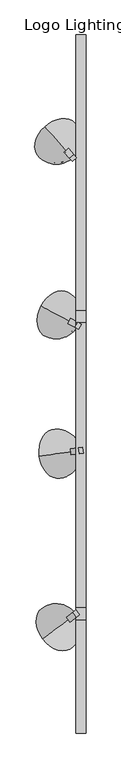
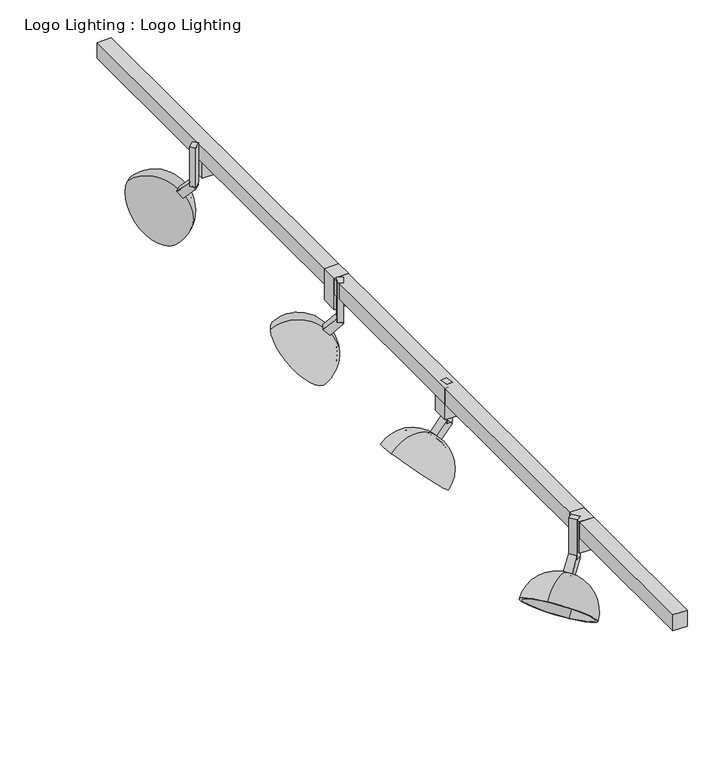
"""IFC4 building model written with IfcOpenShell, lengths in millimetres: light fixture geometry, Logo Lighting : Logo Lighting."""

from ifc_helpers import new_model, si_unit, point, frame, origin, place, context, project, spatial, polyline, circle_curve, ellipse_curve, trimmed, outline, extrude, source, transform, mapped, element, save
from ifc_brep_helpers import plane_surface, revolved_surface, advanced_brep


def logo_lighting_logo_lighting_3ff6cc8f(model_context):
    return source(origin(), model_context, "Body", "SolidModel", [
        extrude(outline(polyline([(21.1742761, -368.065558), (30.0730454, -366.8585345), (31.7800344, -379.4432947), (22.8812651, -380.6503181), (21.1742761, -368.065558)])), frame((0.0, 0.0, 2374.9), z_axis=(0.0, 0.0, 1.0), x_axis=(1.0, 0.0, 0.0)), (0.0, 0.0, 1.0), 63.5),
        extrude(outline(polyline([(12.7, -1e-07), (12.7, -12.7), (0.0, -12.7), (0.0, 0.0), (12.7, -1e-07)])), frame((3.3767376, -370.4796049, 2362.9598052), z_axis=(0.7006904927370758, 0.09504121941494724, 0.7071067811865432), x_axis=(0.7006904927370672, 0.09504121941494605, -0.7071067811865519)), (0.0, 0.0, 1.0), 25.4),
        advanced_brep(
        [(10.9948777, -375.8544327, 2356.3160112), (6.5454931, -376.4579445, 2360.8061393), (-64.9270306, -386.1524328, 2360.8061393), (10.9948777, -375.8544327, 2284.1890069), (8.6290006, -376.1753388, 2353.9284695), (4.179616, -376.7788506, 2358.4185976), (8.6290006, -376.1753388, 2286.5765486), (-62.5611535, -385.8315267, 2358.4185976)],
        [
            (0, 1, circle_curve(frame((8.7701854, -376.1561886, 2358.5610752), z_axis=(-0.7006904927370761, -0.09504121941494727, -0.707106781186543), x_axis=(-0.7006904927370676, -0.09504121941494285, 0.707106781186552)), 3.175)),
            (1, 2, circle_curve(frame((-29.1907687, -381.3051886, 2324.7426371), z_axis=(0.13440858148109247, -0.9909259978546537, 0.0), x_axis=(0.7006904927370673, 0.0950412194149429, -0.7071067811865523)), 51.0014938)),
            (2, 3, circle_curve(frame((-26.9660764, -381.0034328, 2322.4975731), z_axis=(0.7006904927370761, 0.09504121941494727, 0.707106781186543), x_axis=(-0.7006904927370676, -0.09504121941494285, 0.707106781186552)), 54.1764938)),
            (3, 0, circle_curve(frame((-24.7413841, -380.7016769, 2320.252509), z_axis=(0.13440858148108958, -0.9909259978546541, 0.0), x_axis=(-0.7006904927370685, -0.0950412194149389, 0.7071067811865517)), 51.0014938)),
            (4, 5, circle_curve(frame((6.4043083, -376.4770947, 2356.1735335), z_axis=(-0.7006904927370761, -0.09504121941494727, -0.707106781186543), x_axis=(-0.7006904927370676, -0.09504121941494285, 0.707106781186552)), 3.175)),
            (5, 1),
            (0, 4),
            (6, 7, circle_curve(frame((-26.9660764, -381.0034328, 2322.4975731), z_axis=(-0.7006904927370761, -0.09504121941494727, -0.707106781186543), x_axis=(-0.7006904927370676, -0.09504121941494285, 0.707106781186552)), 50.8)),
            (7, 5, circle_curve(frame((-29.1907687, -381.3051886, 2324.7426371), z_axis=(-0.13440858148109247, 0.9909259978546537, 0.0), x_axis=(0.7006904927370673, 0.0950412194149429, -0.7071067811865523)), 47.625)),
            (4, 6, circle_curve(frame((-24.7413841, -380.7016769, 2320.252509), z_axis=(-0.13440858148108553, 0.9909259978546546, 0.0), x_axis=(-0.7006904927370693, -0.09504121941493318, 0.7071067811865517)), 47.625)),
            (2, 7),
            (6, 3),
            (1, 0, circle_curve(frame((8.7701854, -376.1561886, 2358.5610752), z_axis=(-0.7006904927370761, -0.09504121941494727, -0.707106781186543), x_axis=(0.7006904927370672, 0.09504121941494595, -0.707106781186552)), 3.175)),
            (3, 2, circle_curve(frame((-26.9660764, -381.0034328, 2322.4975731), z_axis=(0.7006904927370761, 0.09504121941494727, 0.707106781186543), x_axis=(0.7006904927370672, 0.09504121941494595, -0.707106781186552)), 54.1764938)),
            (5, 4, circle_curve(frame((6.4043083, -376.4770947, 2356.1735335), z_axis=(-0.7006904927370761, -0.09504121941494727, -0.707106781186543), x_axis=(0.7006904927370672, 0.09504121941494595, -0.707106781186552)), 3.175)),
            (7, 6, circle_curve(frame((-26.9660764, -381.0034328, 2322.4975731), z_axis=(-0.7006904927370761, -0.09504121941494727, -0.707106781186543), x_axis=(0.7006904927370672, 0.09504121941494595, -0.707106781186552)), 50.8)),
        ],
        [
            revolved_surface(trimmed(ellipse_curve(frame((-29.1907687, -381.3051886, 2324.7426371), z_axis=(-0.13440858148109247, 0.9909259978546537, 0.0), x_axis=(0.7006904927370673, 0.0950412194149429, -0.7071067811865523)), 51.0014938, 51.0014938), [point((-64.9270306, -386.1524328, 2360.8061393))], [point((6.5454931, -376.4579445, 2360.8061393))], True, "CARTESIAN"), (-1664.2890037, -603.0888888, 670.1815264), (0.7006904927370761, 0.09504121941494727, 0.707106781186543)),
            revolved_surface(polyline([(6.5454931547435535, -376.45794451341686, 2360.8061392475574), (4.179615993413563, -376.77885060923165, 2358.4185975275377)]), (-1664.2890037, -603.0888888, 670.1815264), (0.7006904927370761, 0.09504121941494727, 0.707106781186543)),
            revolved_surface(trimmed(ellipse_curve(frame((-29.1907687, -381.3051886, 2324.7426371), z_axis=(0.13440858148109247, -0.9909259978546537, 0.0), x_axis=(0.7006904927370673, 0.0950412194149429, -0.7071067811865523)), 47.625, 47.625), [point((4.179616, -376.7788506, 2358.4185976))], [point((-62.5611535, -385.8315267, 2358.4185976))], True, "CARTESIAN"), (-1664.2890037, -603.0888888, 670.1815264), (0.7006904927370761, 0.09504121941494727, 0.707106781186543)),
            plane_surface(frame((-26.9660764, -381.0034328, 2322.4975731), z_axis=(-0.700690492737076, -0.09504121941494724, -0.7071067811865432), x_axis=(-0.7006904927370676, -0.09504121941494285, 0.707106781186552))),
            revolved_surface(trimmed(ellipse_curve(frame((-24.7413841, -380.7016769, 2320.252509), z_axis=(0.13440858148109466, -0.9909259978546534, 0.0), x_axis=(-0.7006904927370675, -0.09504121941494607, 0.7071067811865517)), 51.0014938, 51.0014938), [point((10.9948777, -375.8544327, 2284.1890069))], [point((10.9948777, -375.8544327, 2356.3160112))], True, "CARTESIAN"), (-1664.2890037, -603.0888888, 670.1815264), (0.7006904927370761, 0.09504121941494727, 0.707106781186543)),
            revolved_surface(polyline([(10.994877783624133, -375.85443277013206, 2356.316011187023), (8.629000622294143, -376.17533886594686, 2353.928469467003)]), (-1664.2890037, -603.0888888, 670.1815264), (0.7006904927370761, 0.09504121941494727, 0.707106781186543)),
            revolved_surface(trimmed(ellipse_curve(frame((-24.7413841, -380.7016769, 2320.252509), z_axis=(-0.13440858148109466, 0.9909259978546534, 0.0), x_axis=(-0.7006904927370675, -0.09504121941494607, 0.7071067811865517)), 47.625, 47.625), [point((8.6290006, -376.1753388, 2353.9284695))], [point((8.6290006, -376.1753388, 2286.5765486))], True, "CARTESIAN"), (-1664.2890037, -603.0888888, 670.1815264), (0.7006904927370761, 0.09504121941494727, 0.707106781186543)),
            plane_surface(frame((-26.9660764, -381.0034328, 2322.4975731), z_axis=(-0.700690492737076, -0.09504121941494725, -0.7071067811865432), x_axis=(0.7006904927370672, 0.09504121941494595, -0.707106781186552))),
        ],
        [
            (0, [[1, 2, 3, 4]]),
            (1, [[5, 6, -1, 7]]),
            (2, [[8, 9, -5, 10]]),
            (3, [[-3, 11, -8, 12]]),
            (4, [[13, -4, 14, -2]]),
            (5, [[15, -7, -13, -6]]),
            (6, [[16, -10, -15, -9]]),
            (7, [[-14, -12, -16, -11]]),
        ],
    ),
        extrude(outline(polyline([(1.4066547, 263.8270711), (10.844594, 272.3250298), (16.8535582, 265.6513989), (7.4156189, 257.1534402), (1.4066547, 263.8270711)])), frame((0.0, 0.0, 2374.9), z_axis=(0.0, 0.0, 1.0), x_axis=(1.0, 0.0, 0.0)), (0.0, 0.0, 1.0), 63.5),
        extrude(outline(polyline([(0.0, 12.7), (25.4000001, 12.6999999), (25.4000001, -1e-07), (0.0, 0.0), (0.0, 12.7)])), frame((16.8535582, 265.6513989, 2371.9400614), z_axis=(-0.47314678925581266, 0.5254827454987554, 0.7071067811865518), x_axis=(-0.47314678925581827, 0.5254827454987616, -0.7071067811865435)), (0.0, 0.0, 1.0), 12.7),
        advanced_brep(
        [(-1.3244237, 276.3501671, 2356.3160112), (-1.3244237, 276.3501671, 2284.1890069), (-52.591292, 333.2877925, 2360.8061393), (-4.3289058, 279.6869825, 2360.8061393), (-2.9220009, 278.1244563, 2353.9284695), (-5.9264831, 281.4612717, 2358.4185976), (-2.9220009, 278.1244563, 2286.5765486), (-50.9937147, 331.5135033, 2358.4185976)],
        [
            (0, 1, circle_curve(frame((-25.4556168, 303.1505721, 2320.252509), z_axis=(0.7431448254773879, 0.669130606358866, 0.0), x_axis=(-0.4731467892558226, 0.525482745498747, 0.7071067811865517)), 51.0014938)),
            (1, 2, circle_curve(frame((-26.9578578, 304.8189798, 2322.4975731), z_axis=(0.47314678925581866, -0.5254827454987621, 0.7071067811865429), x_axis=(-0.4731467892558151, 0.5254827454987533, 0.707106781186552)), 54.1764938)),
            (2, 3, circle_curve(frame((-28.4600989, 306.4873875, 2324.7426371), z_axis=(0.7431448254773926, 0.6691306063588609, 0.0), x_axis=(0.4731467892558148, -0.5254827454987532, -0.7071067811865523)), 51.0014938)),
            (3, 0, circle_curve(frame((-2.8266648, 278.0185748, 2358.5610752), z_axis=(-0.47314678925581866, 0.5254827454987621, -0.7071067811865429), x_axis=(-0.4731467892558151, 0.5254827454987533, 0.707106781186552)), 3.175)),
            (4, 0),
            (3, 5),
            (5, 4, circle_curve(frame((-4.424242, 279.792864, 2356.1735335), z_axis=(-0.47314678925581866, 0.5254827454987621, -0.7071067811865429), x_axis=(-0.4731467892558151, 0.5254827454987533, 0.707106781186552)), 3.175)),
            (6, 4, circle_curve(frame((-25.4556168, 303.1505721, 2320.252509), z_axis=(-0.7431448254773934, -0.66913060635886, 0.0), x_axis=(-0.47314678925581405, 0.5254827454987546, 0.7071067811865517)), 47.625)),
            (5, 7, circle_curve(frame((-28.4600989, 306.4873875, 2324.7426371), z_axis=(-0.7431448254773926, -0.6691306063588609, 0.0), x_axis=(0.4731467892558148, -0.5254827454987532, -0.7071067811865523)), 47.625)),
            (7, 6, circle_curve(frame((-26.9578578, 304.8189798, 2322.4975731), z_axis=(-0.47314678925581866, 0.5254827454987621, -0.7071067811865429), x_axis=(-0.4731467892558151, 0.5254827454987533, 0.707106781186552)), 50.8)),
            (1, 6),
            (7, 2),
            (2, 1, circle_curve(frame((-26.9578578, 304.8189798, 2322.4975731), z_axis=(0.47314678925581866, -0.5254827454987621, 0.7071067811865429), x_axis=(0.4731467892558128, -0.5254827454987553, -0.707106781186552)), 54.1764938)),
            (0, 3, circle_curve(frame((-2.8266648, 278.0185748, 2358.5610752), z_axis=(-0.47314678925581866, 0.5254827454987621, -0.7071067811865429), x_axis=(0.4731467892558128, -0.5254827454987553, -0.707106781186552)), 3.175)),
            (4, 5, circle_curve(frame((-4.424242, 279.792864, 2356.1735335), z_axis=(-0.47314678925581866, 0.5254827454987621, -0.7071067811865429), x_axis=(0.4731467892558128, -0.5254827454987553, -0.707106781186552)), 3.175)),
            (6, 7, circle_curve(frame((-26.9578578, 304.8189798, 2322.4975731), z_axis=(-0.47314678925581866, 0.5254827454987621, -0.7071067811865429), x_axis=(0.4731467892558128, -0.5254827454987553, -0.707106781186552)), 50.8)),
        ],
        [
            revolved_surface(trimmed(ellipse_curve(frame((-28.4600989, 306.4873875, 2324.7426371), z_axis=(0.7431448254773926, 0.6691306063588609, 0.0), x_axis=(0.4731467892558148, -0.5254827454987532, -0.7071067811865523)), 51.0014938, 51.0014938), [point((-52.591292, 333.2877925, 2360.8061393))], [point((-4.3289058, 279.6869825, 2360.8061393))], True, "CARTESIAN"), (-1132.573096, 1532.7290999, 670.1815264), (0.47314678925581877, -0.5254827454987622, 0.707106781186543)),
            revolved_surface(polyline([(-4.32890578322008, 279.68698246191775, 2360.806139260473), (-5.926483028103803, 281.46127174349203, 2358.418597531397)]), (-1132.573096, 1532.7290999, 670.1815264), (0.47314678925581877, -0.5254827454987622, 0.707106781186543)),
            revolved_surface(trimmed(ellipse_curve(frame((-28.4600989, 306.4873875, 2324.7426371), z_axis=(-0.7431448254773926, -0.6691306063588609, 0.0), x_axis=(0.4731467892558148, -0.5254827454987532, -0.7071067811865523)), 47.625, 47.625), [point((-5.9264831, 281.4612717, 2358.4185976))], [point((-50.9937147, 331.5135033, 2358.4185976))], True, "CARTESIAN"), (-1132.573096, 1532.7290999, 670.1815264), (0.47314678925581877, -0.5254827454987622, 0.707106781186543)),
            plane_surface(frame((-26.9578578, 304.8189798, 2322.4975731), z_axis=(-0.4731467892558184, 0.5254827454987618, -0.7071067811865434), x_axis=(-0.473146789255815, 0.5254827454987532, 0.7071067811865519))),
            revolved_surface(trimmed(ellipse_curve(frame((-25.4556168, 303.1505721, 2320.252509), z_axis=(-0.7431448254773941, -0.6691306063588593, 0.0), x_axis=(-0.473146789255813, 0.5254827454987556, 0.7071067811865517)), 51.0014938, 51.0014938), [point((-1.3244237, 276.3501671, 2284.1890069))], [point((-1.3244237, 276.3501671, 2356.3160112))], True, "CARTESIAN"), (-1132.573096, 1532.7290999, 670.1815264), (0.47314678925581877, -0.5254827454987622, 0.707106781186543)),
            revolved_surface(polyline([(-1.3244236714456292, 276.35016702800044, 2356.3160111999387), (-2.9220009163293525, 278.1244563095747, 2353.9284694708626)]), (-1132.573096, 1532.7290999, 670.1815264), (0.47314678925581877, -0.5254827454987622, 0.707106781186543)),
            revolved_surface(trimmed(ellipse_curve(frame((-25.4556168, 303.1505721, 2320.252509), z_axis=(0.7431448254773941, 0.6691306063588593, 0.0), x_axis=(-0.473146789255813, 0.5254827454987556, 0.7071067811865517)), 47.625, 47.625), [point((-2.9220009, 278.1244563, 2353.9284695))], [point((-2.9220009, 278.1244563, 2286.5765486))], True, "CARTESIAN"), (-1132.573096, 1532.7290999, 670.1815264), (0.47314678925581877, -0.5254827454987622, 0.707106781186543)),
            plane_surface(frame((-26.9578578, 304.8189798, 2322.4975731), z_axis=(-0.4731467892558184, 0.5254827454987617, -0.7071067811865432), x_axis=(0.4731467892558127, -0.5254827454987552, -0.7071067811865519))),
        ],
        [
            (0, [[1, 2, 3, 4]]),
            (1, [[5, -4, 6, 7]]),
            (2, [[8, -7, 9, 10]]),
            (3, [[11, -10, 12, -2]]),
            (4, [[-3, 13, -1, 14]]),
            (5, [[-6, -14, -5, 15]]),
            (6, [[-9, -15, -8, 16]]),
            (7, [[-12, -16, -11, -13]]),
        ],
    ),
        extrude(outline(polyline([(13.5830052, -105.1858771), (19.5947744, -93.9988921), (27.5051673, -98.2498548), (21.4933982, -109.4368398), (13.5830052, -105.1858771)])), frame((0.0, 0.0, 2374.9), z_axis=(0.0, 0.0, 1.0), x_axis=(1.0, 0.0, 0.0)), (0.0, 0.0, 1.0), 63.5),
        extrude(outline(polyline([(0.0, 12.7), (25.4000001, 12.7000001), (25.4000001, 0.0), (0.0, 0.0), (0.0, 12.7)])), frame((27.5051673, -98.2498548, 2371.9400614), z_axis=(-0.6228655838762192, 0.33472147290326487, 0.7071067811865515), x_axis=(-0.622865583876226, 0.3347214729032686, -0.7071067811865436)), (0.0, 0.0, 1.0), 12.7),
        advanced_brep(
        [(6.781408, -94.3219461, 2356.3160112), (6.781408, -94.3219461, 2284.1890069), (-60.707939, -58.0538745, 2360.8061393), (2.8262115, -92.1964647, 2360.8061393), (4.6783062, -93.1917611, 2353.9284695), (0.7231097, -91.0662797, 2358.4185976), (4.6783062, -93.1917611, 2286.5765486), (-58.6048372, -59.1840595, 2358.4185976)],
        [
            (0, 1, circle_curve(frame((-24.9856673, -77.250651, 2320.252509), z_axis=(0.47336764659729014, 0.880864956253195, 0.0), x_axis=(-0.622865583876225, 0.33472147290325327, 0.7071067811865517)), 51.0014938)),
            (1, 2, circle_curve(frame((-26.9632655, -76.1879103, 2322.4975731), z_axis=(0.6228655838762266, -0.33472147290326887, 0.707106781186543), x_axis=(-0.6228655838762202, 0.33472147290326176, 0.707106781186552)), 54.1764938)),
            (2, 3, circle_curve(frame((-28.9408637, -75.1251696, 2324.7426371), z_axis=(0.4733676465972963, 0.8808649562531917, 0.0), x_axis=(0.6228655838762199, -0.33472147290326165, -0.7071067811865523)), 51.0014938)),
            (3, 0, circle_curve(frame((4.8038098, -93.2592054, 2358.5610752), z_axis=(-0.6228655838762266, 0.33472147290326887, -0.707106781186543), x_axis=(-0.6228655838762202, 0.33472147290326176, 0.707106781186552)), 3.175)),
            (4, 0),
            (3, 5),
            (5, 4, circle_curve(frame((2.7007079, -92.1290204, 2356.1735335), z_axis=(-0.6228655838762266, 0.33472147290326887, -0.707106781186543), x_axis=(-0.6228655838762202, 0.33472147290326176, 0.707106781186552)), 3.175)),
            (6, 4, circle_curve(frame((-24.9856673, -77.250651, 2320.252509), z_axis=(-0.47336764659729735, -0.8808649562531912, 0.0), x_axis=(-0.6228655838762196, 0.3347214729032635, 0.7071067811865517)), 47.625)),
            (5, 7, circle_curve(frame((-28.9408637, -75.1251696, 2324.7426371), z_axis=(-0.4733676465972963, -0.8808649562531917, 0.0), x_axis=(0.6228655838762199, -0.33472147290326165, -0.7071067811865523)), 47.625)),
            (7, 6, circle_curve(frame((-26.9632655, -76.1879103, 2322.4975731), z_axis=(-0.6228655838762266, 0.33472147290326887, -0.707106781186543), x_axis=(-0.6228655838762202, 0.33472147290326176, 0.707106781186552)), 50.8)),
            (1, 6),
            (7, 2),
            (2, 1, circle_curve(frame((-26.9632655, -76.1879103, 2322.4975731), z_axis=(0.6228655838762266, -0.33472147290326887, 0.707106781186543), x_axis=(0.6228655838762186, -0.3347214729032645, -0.707106781186552)), 54.1764938)),
            (0, 3, circle_curve(frame((4.8038098, -93.2592054, 2358.5610752), z_axis=(-0.6228655838762266, 0.33472147290326887, -0.707106781186543), x_axis=(0.6228655838762186, -0.3347214729032645, -0.707106781186552)), 3.175)),
            (4, 5, circle_curve(frame((2.7007079, -92.1290204, 2356.1735335), z_axis=(-0.6228655838762266, 0.33472147290326887, -0.707106781186543), x_axis=(0.6228655838762186, -0.3347214729032645, -0.707106781186552)), 3.175)),
            (6, 7, circle_curve(frame((-26.9632655, -76.1879103, 2322.4975731), z_axis=(-0.6228655838762266, 0.33472147290326887, -0.707106781186543), x_axis=(0.6228655838762186, -0.3347214729032645, -0.707106781186552)), 50.8)),
        ],
        [
            revolved_surface(trimmed(ellipse_curve(frame((-28.9408637, -75.1251696, 2324.7426371), z_axis=(0.4733676465972963, 0.8808649562531917, 0.0), x_axis=(0.6228655838762199, -0.33472147290326165, -0.7071067811865523)), 51.0014938, 51.0014938), [point((-60.707939, -58.0538745, 2360.8061393))], [point((2.8262115, -92.1964647, 2360.8061393))], True, "CARTESIAN"), (-1482.4305676, 705.9650482, 670.1815264), (0.6228655838762266, -0.33472147290326887, 0.707106781186543)),
            revolved_surface(polyline([(2.8262115781592456, -92.19646470977375, 2360.8061392466757), (0.723109722145864, -91.06627969211786, 2358.418597500255)]), (-1482.4305676, 705.9650482, 670.1815264), (0.6228655838762266, -0.33472147290326887, 0.707106781186543)),
            revolved_surface(trimmed(ellipse_curve(frame((-28.9408637, -75.1251696, 2324.7426371), z_axis=(-0.4733676465972963, -0.8808649562531917, 0.0), x_axis=(0.6228655838762199, -0.33472147290326165, -0.7071067811865523)), 47.625, 47.625), [point((0.7231097, -91.0662797, 2358.4185976))], [point((-58.6048372, -59.1840595, 2358.4185976))], True, "CARTESIAN"), (-1482.4305676, 705.9650482, 670.1815264), (0.6228655838762266, -0.33472147290326887, 0.707106781186543)),
            plane_surface(frame((-26.9632655, -76.1879103, 2322.4975731), z_axis=(-0.6228655838762266, 0.33472147290326887, -0.707106781186543), x_axis=(-0.6228655838762202, 0.33472147290326176, 0.707106781186552))),
            revolved_surface(trimmed(ellipse_curve(frame((-24.9856673, -77.250651, 2320.252509), z_axis=(-0.47336764659729824, -0.8808649562531906, 0.0), x_axis=(-0.6228655838762188, 0.3347214729032647, 0.7071067811865517)), 51.0014938, 51.0014938), [point((6.781408, -94.3219461, 2284.1890069))], [point((6.781408, -94.3219461, 2356.3160112))], True, "CARTESIAN"), (-1482.4305676, 705.9650482, 670.1815264), (0.6228655838762266, -0.33472147290326887, 0.707106781186543)),
            revolved_surface(polyline([(6.781408035773211, -94.32194606270957, 2356.316011186141), (4.678306179759829, -93.19176104505368, 2353.9284694397206)]), (-1482.4305676, 705.9650482, 670.1815264), (0.6228655838762266, -0.33472147290326887, 0.707106781186543)),
            revolved_surface(trimmed(ellipse_curve(frame((-24.9856673, -77.250651, 2320.252509), z_axis=(0.47336764659729824, 0.8808649562531906, 0.0), x_axis=(-0.6228655838762188, 0.3347214729032647, 0.7071067811865517)), 47.625, 47.625), [point((4.6783062, -93.1917611, 2353.9284695))], [point((4.6783062, -93.1917611, 2286.5765486))], True, "CARTESIAN"), (-1482.4305676, 705.9650482, 670.1815264), (0.6228655838762266, -0.33472147290326887, 0.707106781186543)),
            plane_surface(frame((-26.9632655, -76.1879103, 2322.4975731), z_axis=(-0.6228655838762267, 0.3347214729032689, -0.707106781186543), x_axis=(0.6228655838762187, -0.33472147290326454, -0.7071067811865521))),
        ],
        [
            (0, [[1, 2, 3, 4]]),
            (1, [[5, -4, 6, 7]]),
            (2, [[8, -7, 9, 10]]),
            (3, [[11, -10, 12, -2]]),
            (4, [[-3, 13, -1, 14]]),
            (5, [[-6, -14, -5, 15]]),
            (6, [[-9, -15, -8, 16]]),
            (7, [[-12, -16, -11, -13]]),
        ],
    ),
        extrude(outline(polyline([(16.3468869, -737.3314735), (8.7038361, -727.1888025), (15.8757875, -721.7843495), (23.5188383, -731.9270204), (16.3468869, -737.3314735)])), frame((0.0, 0.0, 2374.9), z_axis=(0.0, 0.0, 1.0), x_axis=(1.0, 0.0, 0.0)), (0.0, 0.0, 1.0), 63.5),
        extrude(outline(polyline([(12.7, 0.0), (0.0, 0.0), (0.0, 12.7), (12.7, 12.6999999), (12.7, 0.0)])), frame((2.002984, -748.1403796, 2362.9598052), z_axis=(0.5647205848508102, 0.42554748389077024, 0.7071067811865431), x_axis=(0.564720584850803, 0.4255474838907648, -0.707106781186552)), (0.0, 0.0, 1.0), 25.4),
        advanced_brep(
        [(3.6334159, -738.9606996, 2356.3160112), (3.6334159, -738.9606996, 2284.1890069), (-57.5557467, -785.0700409, 2360.8061393), (0.0474402, -741.6629261, 2360.8061393), (1.7266403, -740.3975581, 2353.9284695), (-1.8593354, -743.0997846, 2358.4185976), (1.7266403, -740.3975581, 2286.5765486), (-55.6489711, -783.6331824, 2358.4185976)],
        [
            (0, 1, circle_curve(frame((-25.1681775, -760.664257, 2320.252509), z_axis=(-0.6018150231520768, 0.7986355100472713, 0.0), x_axis=(-0.5647205848507953, -0.42554748389077524, 0.7071067811865517)), 51.0014938)),
            (1, 2, circle_curve(frame((-26.9611654, -762.0153702, 2322.4975731), z_axis=(0.5647205848508102, 0.42554748389077024, 0.7071067811865431), x_axis=(-0.564720584850801, -0.42554748389076724, 0.707106781186552)), 54.1764938)),
            (2, 3, circle_curve(frame((-28.7541532, -763.3664835, 2324.7426371), z_axis=(-0.6018150231520712, 0.7986355100472755, 0.0), x_axis=(0.5647205848508008, 0.425547483890767, -0.7071067811865523)), 51.0014938)),
            (3, 0, circle_curve(frame((1.8404281, -740.3118129, 2358.5610752), z_axis=(-0.5647205848508102, -0.42554748389077024, -0.7071067811865431), x_axis=(-0.564720584850801, -0.42554748389076724, 0.707106781186552)), 3.175)),
            (4, 0),
            (3, 5),
            (5, 4, circle_curve(frame((-0.0663475, -741.7486713, 2356.1735335), z_axis=(-0.5647205848508102, -0.42554748389077024, -0.7071067811865431), x_axis=(-0.564720584850801, -0.42554748389076724, 0.707106781186552)), 3.175)),
            (6, 4, circle_curve(frame((-25.1681775, -760.664257, 2320.252509), z_axis=(0.6018150231520702, -0.7986355100472763, 0.0), x_axis=(-0.5647205848508022, -0.425547483890766, 0.7071067811865517)), 47.625)),
            (5, 7, circle_curve(frame((-28.7541532, -763.3664835, 2324.7426371), z_axis=(0.6018150231520712, -0.7986355100472755, 0.0), x_axis=(0.5647205848508008, 0.425547483890767, -0.7071067811865523)), 47.625)),
            (7, 6, circle_curve(frame((-26.9611654, -762.0153702, 2322.4975731), z_axis=(-0.5647205848508102, -0.42554748389077024, -0.7071067811865431), x_axis=(-0.564720584850801, -0.42554748389076724, 0.707106781186552)), 50.8)),
            (1, 6),
            (7, 2),
            (2, 1, circle_curve(frame((-26.9611654, -762.0153702, 2322.4975731), z_axis=(0.5647205848508102, 0.42554748389077024, 0.7071067811865431), x_axis=(0.5647205848508029, 0.4255474838907648, -0.707106781186552)), 54.1764938)),
            (0, 3, circle_curve(frame((1.8404281, -740.3118129, 2358.5610752), z_axis=(-0.5647205848508102, -0.42554748389077024, -0.7071067811865431), x_axis=(0.5647205848508029, 0.4255474838907648, -0.707106781186552)), 3.175)),
            (4, 5, circle_curve(frame((-0.0663475, -741.7486713, 2356.1735335), z_axis=(-0.5647205848508102, -0.42554748389077024, -0.7071067811865431), x_axis=(0.5647205848508029, 0.4255474838907648, -0.707106781186552)), 3.175)),
            (6, 7, circle_curve(frame((-26.9611654, -762.0153702, 2322.4975731), z_axis=(-0.5647205848508102, -0.42554748389077024, -0.7071067811865431), x_axis=(0.5647205848508029, 0.4255474838907648, -0.707106781186552)), 50.8)),
        ],
        [
            revolved_surface(trimmed(ellipse_curve(frame((-28.7541532, -763.3664835, 2324.7426371), z_axis=(-0.6018150231520712, 0.7986355100472755, 0.0), x_axis=(0.5647205848508008, 0.425547483890767, -0.7071067811865523)), 51.0014938, 51.0014938), [point((-57.5557467, -785.0700409, 2360.8061393))], [point((0.0474402, -741.6629261, 2360.8061393))], True, "CARTESIAN"), (-1346.559434, -1756.4039901, 670.1815264), (0.5647205848508101, 0.42554748389077013, 0.707106781186543)),
            revolved_surface(polyline([(0.047440266123430774, -741.6629261004426, 2360.8061392474574), (-1.8593353569269766, -743.0997845938296, 2358.4185974977327)]), (-1346.559434, -1756.4039901, 670.1815264), (0.5647205848508101, 0.42554748389077013, 0.707106781186543)),
            revolved_surface(trimmed(ellipse_curve(frame((-28.7541532, -763.3664835, 2324.7426371), z_axis=(0.6018150231520712, -0.7986355100472755, 0.0), x_axis=(0.5647205848508008, 0.425547483890767, -0.7071067811865523)), 47.625, 47.625), [point((-1.8593354, -743.0997846, 2358.4185976))], [point((-55.6489711, -783.6331824, 2358.4185976))], True, "CARTESIAN"), (-1346.559434, -1756.4039901, 670.1815264), (0.5647205848508101, 0.42554748389077013, 0.707106781186543)),
            plane_surface(frame((-26.9611654, -762.0153702, 2322.4975731), z_axis=(-0.5647205848508103, -0.4255474838907702, -0.707106781186543), x_axis=(-0.5647205848508011, -0.4255474838907673, 0.7071067811865521))),
            revolved_surface(trimmed(ellipse_curve(frame((-25.1681775, -760.664257, 2320.252509), z_axis=(0.6018150231520696, -0.7986355100472768, 0.0), x_axis=(-0.5647205848508031, -0.4255474838907649, 0.7071067811865517)), 51.0014938, 51.0014938), [point((3.6334159, -738.9606996, 2284.1890069))], [point((3.6334159, -738.9606996, 2356.3160112))], True, "CARTESIAN"), (-1346.559434, -1756.4039901, 670.1815264), (0.5647205848508101, 0.42554748389077013, 0.707106781186543)),
            revolved_surface(polyline([(3.6334159799262125, -738.9606995777361, 2356.316011186923), (1.726640356875805, -740.3975580711231, 2353.928469437198)]), (-1346.559434, -1756.4039901, 670.1815264), (0.5647205848508101, 0.42554748389077013, 0.707106781186543)),
            revolved_surface(trimmed(ellipse_curve(frame((-25.1681775, -760.664257, 2320.252509), z_axis=(-0.6018150231520696, 0.7986355100472768, 0.0), x_axis=(-0.5647205848508031, -0.4255474838907649, 0.7071067811865517)), 47.625, 47.625), [point((1.7266403, -740.3975581, 2353.9284695))], [point((1.7266403, -740.3975581, 2286.5765486))], True, "CARTESIAN"), (-1346.559434, -1756.4039901, 670.1815264), (0.5647205848508101, 0.42554748389077013, 0.707106781186543)),
            plane_surface(frame((-26.9611654, -762.0153702, 2322.4975731), z_axis=(-0.5647205848508101, -0.42554748389077013, -0.707106781186543), x_axis=(0.5647205848508029, 0.4255474838907648, -0.707106781186552))),
        ],
        [
            (0, [[1, 2, 3, 4]]),
            (1, [[5, -4, 6, 7]]),
            (2, [[8, -7, 9, 10]]),
            (3, [[11, -10, 12, -2]]),
            (4, [[-3, 13, -1, 14]]),
            (5, [[-6, -14, -5, 15]]),
            (6, [[-9, -15, -8, 16]]),
            (7, [[-12, -16, -11, -13]]),
        ],
    ),
        extrude(outline(polyline([(37.8064362, -742.95), (16.1261801, -742.95), (16.1261801, -717.55), (37.8064362, -717.55), (37.8064362, -742.95)])), frame((0.0, 0.0, 2387.6), z_axis=(0.0, 0.0, 1.0), x_axis=(1.0, 0.0, 0.0)), (0.0, 0.0, 1.0), 50.8),
        extrude(outline(polyline([(37.8064362, -93.6625), (16.1261801, -93.6625), (16.1261801, -68.2625), (37.8064362, -68.2625), (37.8064362, -93.6625)])), frame((0.0, 0.0, 2387.6), z_axis=(0.0, 0.0, 1.0), x_axis=(1.0, 0.0, 0.0)), (0.0, 0.0, 1.0), 50.8),
        extrude(outline(polyline([(37.8064362, -990.6), (16.1261801, -990.6), (16.1261801, 533.4), (37.8064362, 533.4), (37.8064362, -990.6)])), frame((0.0, 0.0, 2413.0), z_axis=(0.0, 0.0, 1.0), x_axis=(1.0, 0.0, 0.0)), (0.0, 0.0, 1.0), 25.4),
        extrude(outline(polyline([(37.8064362, 255.5875), (16.1261801, 255.5875), (16.1261801, 280.9875), (37.8064362, 280.9875), (37.8064362, 255.5875)])), frame((0.0, 0.0, 2387.6), z_axis=(0.0, 0.0, 1.0), x_axis=(1.0, 0.0, 0.0)), (0.0, 0.0, 1.0), 50.8),
        extrude(outline(polyline([(37.8064362, -387.35), (16.1261801, -387.35), (16.1261801, -361.95), (37.8064362, -361.95), (37.8064362, -387.35)])), frame((0.0, 0.0, 2387.6), z_axis=(0.0, 0.0, 1.0), x_axis=(1.0, 0.0, 0.0)), (0.0, 0.0, 1.0), 50.8),
    ])


if __name__ == "__main__":
    model = new_model("IFC4")
    model_context = context("Model", 3, world=origin())
    ifc_project = project(units=[si_unit("LENGTHUNIT", "METRE", prefix="MILLI")], contexts=[model_context])
    site = spatial("IfcSite", under=ifc_project)
    building = spatial("IfcBuilding", under=site)
    placement = place(None, origin())
    logo_lighting_logo_lighting_shape = logo_lighting_logo_lighting_3ff6cc8f(model_context)
    element("IfcLightFixture", 1, ObjectType="Logo Lighting : Logo Lighting", at=placement, inside=building, context=model_context, shape_type="MappedRepresentation", body=[
        mapped(logo_lighting_logo_lighting_shape, transform((0.0, 0.0, 0.0), x_axis=(1.0, 0.0, 0.0), y_axis=(0.0, 1.0, 0.0), z_axis=(0.0, 0.0, 1.0))),
    ])
    save(model, "model.ifc")
